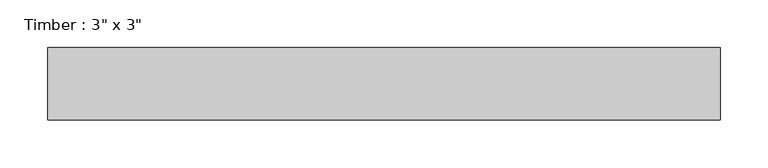
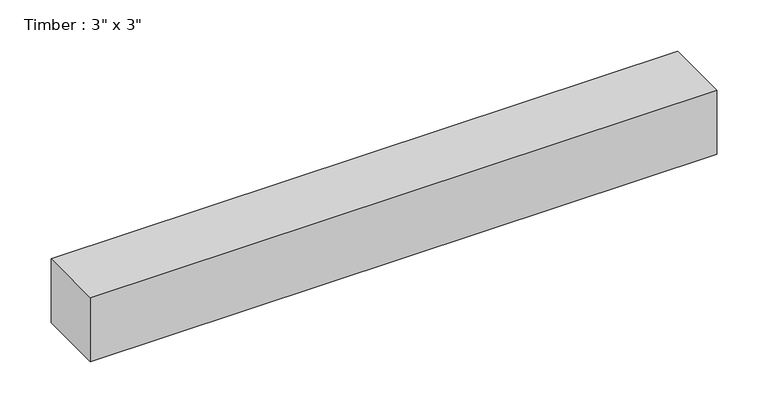
"""IFC4 building model written with IfcOpenShell, lengths in millimetres: beam geometry."""

from ifc_helpers import new_model, si_unit, frame, origin, place, context, project, spatial, polyline, outline, extrude, source, transform, mapped, element, save


def beam_8e559185(model_context):
    return source(origin(), model_context, "Body", "SweptSolid", [
        extrude(outline(polyline([(352.425, 38.1), (352.425, -38.1), (-352.425, -38.1), (-352.425, 38.1), (352.425, 38.1)])), frame((0.0, 0.0, -38.1), z_axis=(0.0, 0.0, 1.0), x_axis=(1.0, 0.0, 0.0)), (0.0, 0.0, 1.0), 76.2),
    ])


if __name__ == "__main__":
    model = new_model("IFC4")
    model_context = context("Model", 3, world=origin())
    ifc_project = project(units=[si_unit("LENGTHUNIT", "METRE", prefix="MILLI")], contexts=[model_context])
    site = spatial("IfcSite", under=ifc_project)
    building = spatial("IfcBuilding", under=site)
    placement = place(None, origin())
    beam_shape = beam_8e559185(model_context)
    element("IfcBeam", 1, ObjectType="Timber : 3\" x 3\"", at=placement, inside=building, context=model_context, shape_type="MappedRepresentation", body=[
        mapped(beam_shape, transform((0.0, 0.0, 0.0), x_axis=(1.0, 0.0, 0.0), y_axis=(0.0, 1.0, 0.0), z_axis=(0.0, 0.0, 1.0))),
    ])
    save(model, "model.ifc")
